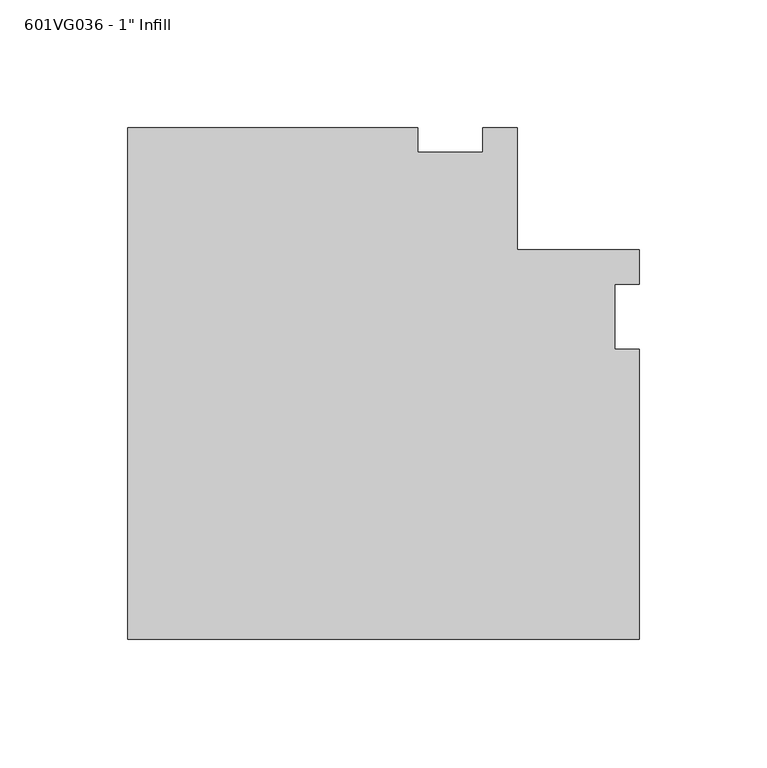
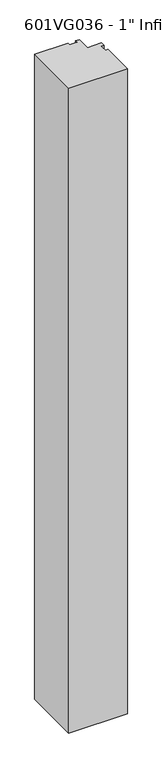
"""IFC4 building model written with IfcOpenShell, lengths in millimetres: proxy geometry."""

import ifcopenshell
import ifcopenshell.guid

model = None  # the IFC model being written
_history = None  # IfcOwnerHistory: only IFC2X3 demands one
_inside = {}  # id of a spatial element -> (the spatial element, [elements in it])
_under = {}  # id of a project, library or spatial element -> (it, [spatial elements below it])
_declared = {}  # id of a project -> (the project, [libraries it declares])
_typed = {}  # id of a type object -> (the type object, [elements of that type])
_made_of = {}  # id of a material, layer set ... -> (it, [elements and type objects made of it])


def new_model(schema):
    """Start an empty IFC model of exactly this schema.

    Asked for "IFC4X3", IfcOpenShell would pick the latest addendum, in which some entities
    have other attributes; the version numbers below select the first issue.
    IFC2X3 requires an IfcOwnerHistory on every rooted entity: one is made here for all.
    """
    global model, _history
    if schema == "IFC4X3":
        model = ifcopenshell.file(schema_version=(4, 3, 0, 0))
    else:
        model = ifcopenshell.file(schema=schema)
    _inside.clear()
    _under.clear()
    _declared.clear()
    _typed.clear()
    _made_of.clear()
    _history = None
    if model.schema == "IFC2X3":
        org = make("IfcOrganization", Name="unknown")
        user = make(
            "IfcPersonAndOrganization",
            ThePerson=make("IfcPerson", FamilyName="unknown"),
            TheOrganization=org,
        )
        app = make(
            "IfcApplication",
            ApplicationDeveloper=org,
            Version="unknown",
            ApplicationFullName="unknown",
            ApplicationIdentifier="unknown",
        )
        _history = make(
            "IfcOwnerHistory",
            OwningUser=user,
            OwningApplication=app,
            ChangeAction="ADDED",
            CreationDate=0,
        )
    return model


def make(cls, **values):
    """One entity of the class cls with the attributes given. An attribute that is None is left unset."""
    return model.create_entity(
        cls, **{name: value for name, value in values.items() if value is not None}
    )


def rooted(cls, **values):
    """An entity with a GlobalId (a new one), such as an element, a storey or a relation."""
    return make(cls, GlobalId=ifcopenshell.guid.new(), OwnerHistory=_history, **values)


def si_unit(unit_type, name, prefix=None):
    """IfcSIUnit, for example si_unit("LENGTHUNIT", "METRE", prefix="MILLI")."""
    return make("IfcSIUnit", UnitType=unit_type, Prefix=prefix, Name=name)


def assignment(units):
    """IfcUnitAssignment: the units of a project."""
    return None if units is None else make("IfcUnitAssignment", Units=units)


def point(xyz):
    """IfcCartesianPoint."""
    return None if xyz is None else make("IfcCartesianPoint", Coordinates=xyz)


def direction(xyz):
    """IfcDirection."""
    return None if xyz is None else make("IfcDirection", DirectionRatios=xyz)


def frame(location, z_axis=None, x_axis=None):
    """IfcAxis2Placement3D, a coordinate frame: its origin and axes. An axis left out is left unset."""
    return make(
        "IfcAxis2Placement3D",
        Location=point(location),
        Axis=direction(z_axis),
        RefDirection=direction(x_axis),
    )


def origin():
    """The frame at (0, 0, 0) with its axes left unset."""
    return frame((0.0, 0.0, 0.0))


def place(relative_to, where):
    """IfcLocalPlacement: puts the frame where relative to a parent placement (None: the world)."""
    return make(
        "IfcLocalPlacement", PlacementRelTo=relative_to, RelativePlacement=where
    )


def context(
    kind, dimensions, precision=None, world=None, true_north=None, identifier=None
):
    """IfcGeometricRepresentationContext, for example the 3D "Model" context."""
    return make(
        "IfcGeometricRepresentationContext",
        ContextIdentifier=identifier,
        ContextType=kind,
        CoordinateSpaceDimension=dimensions,
        Precision=precision,
        WorldCoordinateSystem=world,
        TrueNorth=true_north,
    )


def project(units=None, contexts=None):
    """IfcProject with its units and contexts."""
    return rooted(
        "IfcProject",
        Name="project",
        RepresentationContexts=contexts,
        UnitsInContext=assignment(units),
    )


def spatial(cls, under=None, at=None, **own):
    """A site, building, storey or space (cls), placed at a placement, below another one or the project."""
    s = rooted(cls, ObjectPlacement=at, **own)
    if under is not None:
        _under.setdefault(under.id(), (under, []))[1].append(s)
    return s


def polyline(points):
    """IfcPolyline through the points."""
    return make("IfcPolyline", Points=[point(p) for p in points])


def outline(outer, holes=None, kind="AREA"):
    """IfcArbitraryClosedProfileDef: a profile drawn as a closed curve; with holes, ...WithVoids."""
    if holes is None:
        return make("IfcArbitraryClosedProfileDef", ProfileType=kind, OuterCurve=outer)
    return make(
        "IfcArbitraryProfileDefWithVoids",
        ProfileType=kind,
        OuterCurve=outer,
        InnerCurves=holes,
    )


def extrude(swept, where, along, depth):
    """IfcExtrudedAreaSolid: the profile swept, set in the frame where, extruded along a direction by depth."""
    return make(
        "IfcExtrudedAreaSolid",
        SweptArea=swept,
        Position=where,
        ExtrudedDirection=direction(along),
        Depth=depth,
    )


def shape(context_of_items, identifier, shape_type, items):
    """IfcShapeRepresentation: the items that make up one representation, for example the "Body"."""
    return make(
        "IfcShapeRepresentation",
        ContextOfItems=context_of_items,
        RepresentationIdentifier=identifier,
        RepresentationType=shape_type,
        Items=items,
    )


def source(mapping_origin, context_of_items, identifier, shape_type, items):
    """IfcRepresentationMap: a shape defined once, which mapped items show again and again."""
    return make(
        "IfcRepresentationMap",
        MappingOrigin=mapping_origin,
        MappedRepresentation=shape(context_of_items, identifier, shape_type, items),
    )


def transform(
    local_origin,
    x_axis=None,
    y_axis=None,
    z_axis=None,
    scale=None,
    scale2=None,
    scale3=None,
    uniform=True,
):
    """IfcCartesianTransformationOperator3D, or its non-uniform kind. x_axis, y_axis, z_axis: its Axis1, 2, 3."""
    if uniform:
        return make(
            "IfcCartesianTransformationOperator3D",
            Axis1=direction(x_axis),
            Axis2=direction(y_axis),
            LocalOrigin=point(local_origin),
            Scale=scale,
            Axis3=direction(z_axis),
        )
    return make(
        "IfcCartesianTransformationOperator3DnonUniform",
        Axis1=direction(x_axis),
        Axis2=direction(y_axis),
        LocalOrigin=point(local_origin),
        Scale=scale,
        Axis3=direction(z_axis),
        Scale2=scale2,
        Scale3=scale3,
    )


def mapped(mapping_source, mapping_target):
    """IfcMappedItem: shows the shape of a source again, moved by a transform."""
    return make(
        "IfcMappedItem", MappingSource=mapping_source, MappingTarget=mapping_target
    )


def made_of(thing, what):
    """Note that an element or type object is made of a material, layer set ...; save() writes the relation."""
    if what is not None:
        _made_of.setdefault(what.id(), (what, []))[1].append(thing)
    return thing


def element(
    cls,
    number,
    at=None,
    inside=None,
    cuts=None,
    type_object=None,
    material=None,
    context=None,
    identifier="Body",
    shape_type=None,
    held_by="IfcProductDefinitionShape",
    body=None,
    shapes=None,
    **own,
):
    """One element of the class cls, such as IfcWall. Its Tag is "e" and its number.

    at: its placement. inside: the storey or other place that contains it. cuts: it is an
    opening in that element (IfcRelVoidsElement). A single representation is given by context,
    identifier, shape_type and body (its items); several are given by shapes. held_by: the class
    of the entity that holds the representations. save() writes the other relations.
    """
    e = rooted(cls, Tag="e%d" % number, ObjectPlacement=at, **own)
    if body is not None:
        shapes = [shape(context, identifier, shape_type, body)]
    if shapes is not None:
        e.Representation = make(held_by, Representations=shapes)
    if inside is not None:
        _inside.setdefault(inside.id(), (inside, []))[1].append(e)
    if cuts is not None:
        rooted(
            "IfcRelVoidsElement", RelatingBuildingElement=cuts, RelatedOpeningElement=e
        )
    if type_object is not None:
        _typed.setdefault(type_object.id(), (type_object, []))[1].append(e)
    return made_of(e, material)


def aggregate(whole, parts):
    """IfcRelAggregates: a whole, such as a stair, and the parts it consists of."""
    return rooted("IfcRelAggregates", RelatingObject=whole, RelatedObjects=parts)


def save(model, path):
    """Write the relations noted so far, then the file.

    IfcRelAggregates (storeys below a building ...), IfcRelContainedInSpatialStructure (elements
    in a storey), IfcRelDefinesByType, IfcRelAssociatesMaterial and IfcRelDeclares: one each for
    every whole, place, type object, material and project.
    """
    for whole, parts in _under.values():
        aggregate(whole, parts)
    for where, things in _inside.values():
        rooted(
            "IfcRelContainedInSpatialStructure",
            RelatedElements=things,
            RelatingStructure=where,
        )
    for kind, things in _typed.values():
        rooted("IfcRelDefinesByType", RelatedObjects=things, RelatingType=kind)
    for what, things in _made_of.values():
        rooted("IfcRelAssociatesMaterial", RelatedObjects=things, RelatingMaterial=what)
    for by, libraries in _declared.values():
        rooted("IfcRelDeclares", RelatingContext=by, RelatedDefinitions=libraries)
    model.write(path)


def proxy_8227c2a0(model_context):
    return source(origin(), model_context, "Body", "SweptSolid", [
        extrude(outline(polyline([(-126.20625, -126.20625), (-126.20625, 73.97115), (-12.7, 73.97115), (-12.7, 64.44615), (12.7, 64.44615), (12.7, 73.97115), (26.1919183, 73.97115), (26.1919183, 26.19375), (73.97115, 26.19375), (73.97115, 12.7), (64.44615, 12.7), (64.44615, -12.7), (73.97115, -12.7), (73.97115, -126.20625), (-126.20625, -126.20625)])), frame((0.0, 0.0, 63.5), z_axis=(0.0, 0.0, 1.0), x_axis=(1.0, 0.0, 0.0)), (0.0, 0.0, 1.0), 2324.1),
    ])


if __name__ == "__main__":
    model = new_model("IFC4")
    model_context = context("Model", 3, world=origin())
    ifc_project = project(units=[si_unit("LENGTHUNIT", "METRE", prefix="MILLI")], contexts=[model_context])
    site = spatial("IfcSite", under=ifc_project)
    building = spatial("IfcBuilding", under=site)
    placement = place(None, origin())
    proxy_shape = proxy_8227c2a0(model_context)
    element("IfcBuildingElementProxy", 1, Name="601VG036 - 1\" Infill", ObjectType="601VG036 - 1\" Infill", at=placement, inside=building, context=model_context, shape_type="MappedRepresentation", body=[
        mapped(proxy_shape, transform((0.0, 0.0, 0.0), x_axis=(1.0, 0.0, 0.0), y_axis=(0.0, 1.0, 0.0), z_axis=(0.0, 0.0, 1.0))),
    ])
    save(model, "model.ifc")
